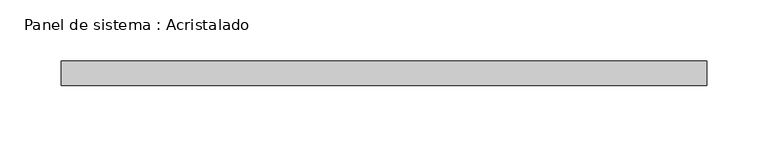
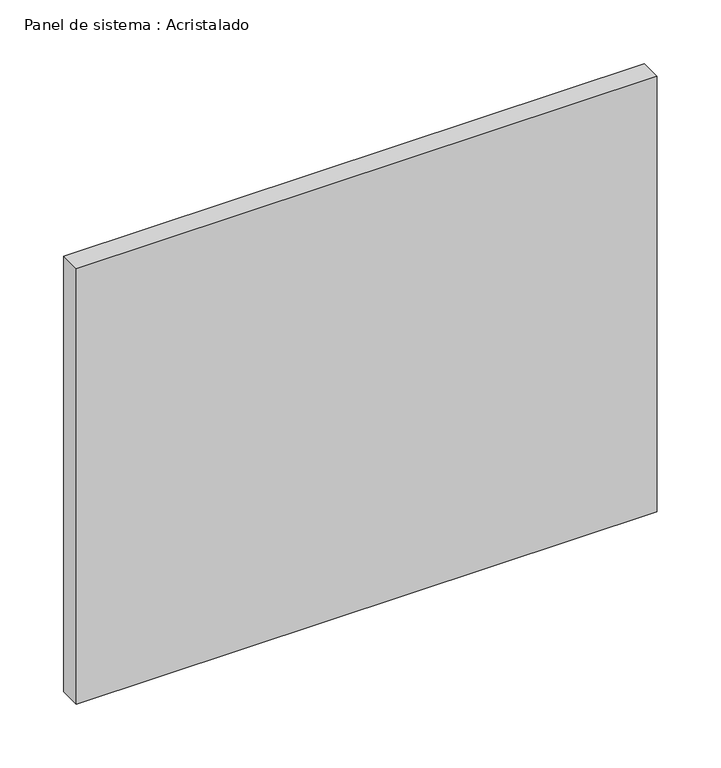
"""IFC4 building model written with IfcOpenShell, lengths in millimetres: plate geometry, Panel de sistema : Acristalado."""

from ifc_helpers import new_model, si_unit, origin, origin_with_axes, place, context, project, spatial, polyline, outline, extrude, source, transform, mapped, element, save


def panel_de_sistema_acristalado_5b155d4f(model_context):
    return source(origin(), model_context, "Body", "SweptSolid", [
        extrude(outline(polyline([(263.5, -10.0), (-263.5, -10.0), (-263.5, 10.0), (263.5, 10.0), (263.5, -10.0)])), origin_with_axes(), (0.0, 0.0, 1.0), 417.7452144),
    ])


if __name__ == "__main__":
    model = new_model("IFC4")
    model_context = context("Model", 3, world=origin())
    ifc_project = project(units=[si_unit("LENGTHUNIT", "METRE", prefix="MILLI")], contexts=[model_context])
    site = spatial("IfcSite", under=ifc_project)
    building = spatial("IfcBuilding", under=site)
    placement = place(None, origin())
    panel_de_sistema_acristalado_shape = panel_de_sistema_acristalado_5b155d4f(model_context)
    element("IfcPlate", 1, ObjectType="Panel de sistema : Acristalado", at=placement, inside=building, context=model_context, shape_type="MappedRepresentation", body=[
        mapped(panel_de_sistema_acristalado_shape, transform((0.0, 0.0, 0.0), x_axis=(1.0, 0.0, 0.0), y_axis=(0.0, 1.0, 0.0), z_axis=(0.0, 0.0, 1.0))),
    ])
    save(model, "model.ifc")
